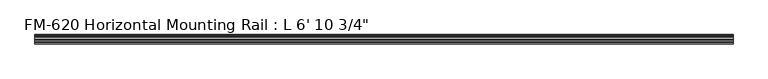
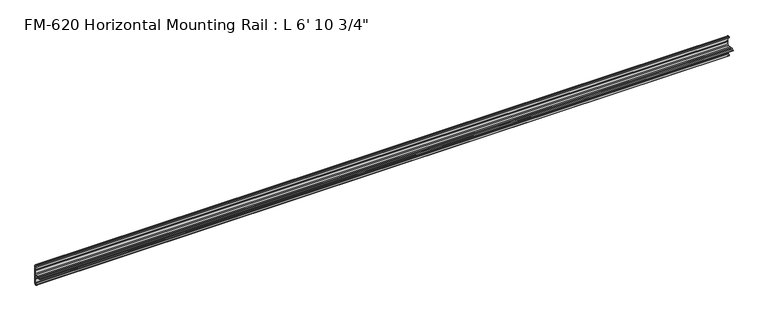
"""IFC4 building model written with IfcOpenShell, lengths in millimetres: proxy geometry."""

from ifc_helpers import new_model, si_unit, frame, origin, place, context, project, spatial, polyline, circle_curve, source, transform, mapped, element, save
from ifc_brep_helpers import plane_surface, cylinder_surface, revolved_surface, advanced_brep


def proxy_94d783d5(model_context):
    return source(origin(), model_context, "Body", "AdvancedBrep", [
        advanced_brep(
        [(2101.85, 13.6400687, 32.1158903), (2101.85, 11.9462301, 30.7938136), (2101.85, 13.6400687, 26.2967369), (2101.85, 15.4364113, 25.7360779), (2101.85, 16.1779173, 26.4138515), (2101.85, 16.9376166, 27.3612928), (2101.85, 17.4625, 26.8535734), (2101.85, 17.4625, 15.6659614), (2101.85, 17.9716639, 14.7485418), (2101.85, 17.9716639, 13.408381), (2101.85, 17.4681023, 12.4909614), (2101.85, 17.4681023, 3.5082566), (2101.85, 15.5546988, 1.5948531), (2101.85, 5.2023289, 1.5948531), (2101.85, 2.0525552, 1.5948531), (2101.85, -2.484295, 1.5948531), (2101.85, -5.633895, 1.5948531), (2101.85, -9.5043031, 1.5948531), (2101.85, -9.5043031, 0.0), (2101.85, -5.633895, 0.0), (2101.85, -2.484295, 0.0), (2101.85, 2.0526969, 0.0), (2101.85, 5.2022969, 0.0), (2101.85, 15.5575, -0.0227595), (2101.85, 17.4625, -1.9277595), (2101.85, 17.4625, -10.9034614), (2101.85, 17.9716639, -11.820881), (2101.85, 17.9716639, -13.1610418), (2101.85, 17.4625, -14.0784614), (2101.85, 17.4625, -25.2660734), (2101.85, 16.9376166, -25.7737928), (2101.85, 16.1779173, -24.8263515), (2101.85, 15.4364113, -24.1485779), (2101.85, 13.6400687, -24.7092369), (2101.85, 11.9462301, -29.2063136), (2101.85, 13.6400687, -30.5283903), (2101.85, 15.4750158, -31.1010982), (2101.85, 16.1549378, -30.6811835), (2101.85, 16.1549378, -29.1395734), (2101.85, 17.7424378, -27.5520734), (2101.85, 19.05, -27.5520734), (2101.85, 19.05, 0.0), (2101.85, 19.05, 29.1395734), (2101.85, 17.7424378, 29.1395734), (2101.85, 16.1549378, 30.7270734), (2101.85, 16.1549378, 32.2686835), (2101.85, 15.4750158, 32.6885982), (0.0, 13.6400687, 32.1158903), (0.0, 15.4750158, 32.6885982), (0.0, 16.1549378, 32.2686835), (0.0, 16.1549378, 30.7270734), (0.0, 17.7424378, 29.1395734), (0.0, 19.05, 29.1395734), (0.0, 19.05, 0.0), (0.0, 19.05, -27.5520734), (0.0, 17.7424378, -27.5520734), (0.0, 16.1549378, -29.1395734), (0.0, 16.1549378, -30.6811835), (0.0, 15.4750158, -31.1010982), (0.0, 13.6400687, -30.5283903), (0.0, 11.9462301, -29.2063136), (0.0, 13.6400687, -24.7092369), (0.0, 15.4364113, -24.1485779), (0.0, 16.1779173, -24.8263515), (0.0, 16.9376166, -25.7737928), (0.0, 17.4625, -25.2660734), (0.0, 17.4625, -14.0784614), (0.0, 17.9716639, -13.1610418), (0.0, 17.9716639, -11.820881), (0.0, 17.4625, -10.9034614), (0.0, 17.4625, -1.9277595), (0.0, 15.5575, -0.0227595), (0.0, 5.2021324, -0.0227595), (0.0, 2.0526969, 0.0), (0.0, -2.484295, 0.0), (0.0, -5.633895, 0.0), (0.0, -9.5043031, 0.0), (0.0, -9.5043031, 1.5948531), (0.0, -5.633895, 1.5948531), (0.0, -2.484295, 1.5948531), (0.0, 2.0525552, 1.5948531), (0.0, 5.2023289, 1.5948531), (0.0, 15.5546988, 1.5948531), (0.0, 17.4681023, 3.5082566), (0.0, 17.4681023, 12.4909614), (0.0, 17.9716639, 13.408381), (0.0, 17.9716639, 14.7485418), (0.0, 17.4625, 15.6659614), (0.0, 17.4625, 26.8535734), (0.0, 16.9376166, 27.3612928), (0.0, 16.1779173, 26.4138515), (0.0, 15.4364113, 25.7360779), (0.0, 13.6400687, 26.2967369), (0.0, 11.9462301, 30.7938136)],
        [
            (0, 1, circle_curve(frame((2101.85, 14.5481808, 29.2063136), z_axis=(1.0, 0.0, 0.0), x_axis=(0.0, -1.0, 0.0)), 3.048)),
            (1, 2, circle_curve(frame((2101.85, 14.5481808, 29.2063136), z_axis=(1.0, 0.0, 0.0), x_axis=(0.0, -1.0, 0.0)), 3.048)),
            (2, 3),
            (3, 4, circle_curve(frame((2101.85, 15.6245238, 26.2747792), z_axis=(1.0, 0.0, 0.0), x_axis=(0.0, -1.0, 0.0)), 0.5706009)),
            (4, 5, circle_curve(frame((2101.85, 16.9169378, 26.5995734), z_axis=(-1.0, 0.0, 0.0), x_axis=(0.0, -1.0, 0.0)), 0.762)),
            (5, 6, circle_curve(frame((2101.85, 16.9545, 26.8535734), z_axis=(-1.0, 0.0, 0.0), x_axis=(0.0, -1.0, 0.0)), 0.508)),
            (6, 7),
            (7, 8),
            (8, 9),
            (9, 10),
            (10, 11),
            (11, 12, circle_curve(frame((2101.85, 15.5546988, 3.5082566), z_axis=(-1.0, 0.0, 0.0), x_axis=(0.0, -1.0, 0.0)), 1.9134035)),
            (12, 13),
            (13, 14, circle_curve(frame((2101.85, 3.627442, 1.5948531), z_axis=(1.0, 0.0, 0.0), x_axis=(0.0, -1.0, 0.0)), 1.5748869)),
            (14, 15),
            (15, 16, circle_curve(frame((2101.85, -4.059095, 1.5948531), z_axis=(1.0, 0.0, 0.0), x_axis=(0.0, -1.0, 0.0)), 1.5748)),
            (16, 17),
            (17, 18),
            (18, 19),
            (19, 20, circle_curve(frame((2101.85, -4.059095, 0.0), z_axis=(1.0, 0.0, 0.0), x_axis=(0.0, -1.0, 0.0)), 1.5748)),
            (20, 21),
            (21, 22, circle_curve(frame((2101.85, 3.6274969, 0.0), z_axis=(1.0, 0.0, 0.0), x_axis=(0.0, -1.0, 0.0)), 1.5748)),
            (22, 23),
            (23, 24, circle_curve(frame((2101.85, 15.5575, -1.9277595), z_axis=(-1.0, 0.0, 0.0), x_axis=(0.0, -1.0, 0.0)), 1.905)),
            (24, 25),
            (25, 26),
            (26, 27),
            (27, 28),
            (28, 29),
            (29, 30, circle_curve(frame((2101.85, 16.9545, -25.2660734), z_axis=(-1.0, 0.0, 0.0), x_axis=(0.0, -1.0, 0.0)), 0.508)),
            (30, 31, circle_curve(frame((2101.85, 16.9169378, -25.0120734), z_axis=(-1.0, 0.0, 0.0), x_axis=(0.0, -1.0, 0.0)), 0.762)),
            (31, 32, circle_curve(frame((2101.85, 15.6245238, -24.6872792), z_axis=(1.0, 0.0, 0.0), x_axis=(0.0, -1.0, 0.0)), 0.5706009)),
            (32, 33),
            (33, 34, circle_curve(frame((2101.85, 14.5481808, -27.6188136), z_axis=(1.0, 0.0, 0.0), x_axis=(0.0, -1.0, 0.0)), 3.048)),
            (34, 35, circle_curve(frame((2101.85, 14.5481808, -27.6188136), z_axis=(1.0, 0.0, 0.0), x_axis=(0.0, -1.0, 0.0)), 3.048)),
            (35, 36),
            (36, 37, circle_curve(frame((2101.85, 15.6853088, -30.6811835), z_axis=(1.0, 0.0, 0.0), x_axis=(0.0, -1.0, 0.0)), 0.4696291)),
            (37, 38),
            (38, 39, circle_curve(frame((2101.85, 17.7424378, -29.1395734), z_axis=(-1.0, 0.0, 0.0), x_axis=(0.0, -1.0, 0.0)), 1.5875)),
            (39, 40),
            (40, 41),
            (41, 42),
            (42, 43),
            (43, 44, circle_curve(frame((2101.85, 17.7424378, 30.7270734), z_axis=(-1.0, 0.0, 0.0), x_axis=(0.0, -1.0, 0.0)), 1.5875)),
            (44, 45),
            (45, 46, circle_curve(frame((2101.85, 15.6853088, 32.2686835), z_axis=(1.0, 0.0, 0.0), x_axis=(0.0, -1.0, 0.0)), 0.4696291)),
            (46, 0),
            (47, 48),
            (48, 49, circle_curve(frame((0.0, 15.6853088, 32.2686835), z_axis=(-1.0, 0.0, 0.0), x_axis=(0.0, -1.0, 0.0)), 0.4696291)),
            (49, 50),
            (50, 51, circle_curve(frame((0.0, 17.7424378, 30.7270734), z_axis=(1.0, 0.0, 0.0), x_axis=(0.0, -1.0, 0.0)), 1.5875)),
            (51, 52),
            (52, 53),
            (53, 54),
            (54, 55),
            (55, 56, circle_curve(frame((0.0, 17.7424378, -29.1395734), z_axis=(1.0, 0.0, 0.0), x_axis=(0.0, -1.0, 0.0)), 1.5875)),
            (56, 57),
            (57, 58, circle_curve(frame((0.0, 15.6853088, -30.6811835), z_axis=(-1.0, 0.0, 0.0), x_axis=(0.0, -1.0, 0.0)), 0.4696291)),
            (58, 59),
            (59, 60, circle_curve(frame((0.0, 14.5481808, -27.6188136), z_axis=(-1.0, 0.0, 0.0), x_axis=(0.0, -1.0, 0.0)), 3.048)),
            (60, 61, circle_curve(frame((0.0, 14.5481808, -27.6188136), z_axis=(-1.0, 0.0, 0.0), x_axis=(0.0, -1.0, 0.0)), 3.048)),
            (61, 62),
            (62, 63, circle_curve(frame((0.0, 15.6245238, -24.6872792), z_axis=(-1.0, 0.0, 0.0), x_axis=(0.0, -1.0, 0.0)), 0.5706009)),
            (63, 64, circle_curve(frame((0.0, 16.9169378, -25.0120734), z_axis=(1.0, 0.0, 0.0), x_axis=(0.0, -1.0, 0.0)), 0.762)),
            (64, 65, circle_curve(frame((0.0, 16.9545, -25.2660734), z_axis=(1.0, 0.0, 0.0), x_axis=(0.0, -1.0, 0.0)), 0.508)),
            (65, 66),
            (66, 67),
            (67, 68),
            (68, 69),
            (69, 70),
            (70, 71, circle_curve(frame((0.0, 15.5575, -1.9277595), z_axis=(1.0, 0.0, 0.0), x_axis=(0.0, -1.0, 0.0)), 1.905)),
            (71, 72),
            (72, 73, circle_curve(frame((0.0, 3.6274969, 0.0), z_axis=(-1.0, 0.0, 0.0), x_axis=(0.0, -1.0, 0.0)), 1.5748)),
            (73, 74),
            (74, 75, circle_curve(frame((0.0, -4.059095, 0.0), z_axis=(-1.0, 0.0, 0.0), x_axis=(0.0, -1.0, 0.0)), 1.5748)),
            (75, 76),
            (76, 77),
            (77, 78),
            (78, 79, circle_curve(frame((0.0, -4.059095, 1.5948531), z_axis=(-1.0, 0.0, 0.0), x_axis=(0.0, -1.0, 0.0)), 1.5748)),
            (79, 80),
            (80, 81, circle_curve(frame((0.0, 3.627442, 1.5948531), z_axis=(-1.0, 0.0, 0.0), x_axis=(0.0, -1.0, 0.0)), 1.5748869)),
            (81, 82),
            (82, 83, circle_curve(frame((0.0, 15.5546988, 3.5082566), z_axis=(1.0, 0.0, 0.0), x_axis=(0.0, -1.0, 0.0)), 1.9134035)),
            (83, 84),
            (84, 85),
            (85, 86),
            (86, 87),
            (87, 88),
            (88, 89, circle_curve(frame((0.0, 16.9545, 26.8535734), z_axis=(1.0, 0.0, 0.0), x_axis=(0.0, -1.0, 0.0)), 0.508)),
            (89, 90, circle_curve(frame((0.0, 16.9169378, 26.5995734), z_axis=(1.0, 0.0, 0.0), x_axis=(0.0, -1.0, 0.0)), 0.762)),
            (90, 91, circle_curve(frame((0.0, 15.6245238, 26.2747792), z_axis=(-1.0, 0.0, 0.0), x_axis=(0.0, -1.0, 0.0)), 0.5706009)),
            (91, 92),
            (92, 93, circle_curve(frame((0.0, 14.5481808, 29.2063136), z_axis=(-1.0, 0.0, 0.0), x_axis=(0.0, -1.0, 0.0)), 3.048)),
            (93, 47, circle_curve(frame((0.0, 14.5481808, 29.2063136), z_axis=(-1.0, 0.0, 0.0), x_axis=(0.0, -1.0, 0.0)), 3.048)),
            (47, 0),
            (46, 48),
            (45, 49),
            (44, 50),
            (43, 51),
            (42, 52),
            (41, 53),
            (82, 12),
            (11, 83),
            (10, 84),
            (9, 85),
            (8, 86),
            (7, 87),
            (6, 88),
            (5, 89),
            (4, 90),
            (3, 91),
            (2, 92),
            (1, 93),
            (79, 15),
            (14, 80),
            (40, 54),
            (39, 55),
            (38, 56),
            (37, 57),
            (36, 58),
            (35, 59),
            (34, 60),
            (33, 61),
            (32, 62),
            (31, 63),
            (30, 64),
            (29, 65),
            (28, 66),
            (27, 67),
            (26, 68),
            (25, 69),
            (24, 70),
            (23, 71),
            (22, 72),
            (73, 21),
            (20, 74),
            (81, 13),
            (19, 75),
            (18, 76),
            (17, 77),
            (16, 78),
        ],
        [
            plane_surface(frame((2101.85, 13.6400687, 32.1158903), z_axis=(1.0000000000000002, 0.0, 0.0), x_axis=(0.0, -0.9545855229405112, -0.29793703930929905))),
            plane_surface(frame((0.0, 13.6400687, 32.1158903), z_axis=(-1.0000000000000002, 0.0, 0.0), x_axis=(0.0, 0.9545855229405112, 0.29793703930929905))),
            plane_surface(frame((0.0, 13.6400687, 32.1158903), z_axis=(0.0, -0.29793703930929905, 0.9545855229405112), x_axis=(1.0, 0.0, 0.0))),
            cylinder_surface(frame((2101.85, 15.6853088, 32.2686835), z_axis=(-1.0, 0.0, 0.0), x_axis=(0.0, -1.0, 0.0)), 0.4696291),
            plane_surface(frame((0.0, 16.1549378, 32.2686835), z_axis=(0.0, 1.0, 0.0), x_axis=(1.0, 0.0, 0.0))),
            revolved_surface(polyline([(2101.85, 16.154937800000003, 30.7270734), (0.0, 16.154937800000003, 30.7270734)]), (2101.85, 17.7424378, 30.7270734), (1.0, 0.0, 0.0)),
            plane_surface(frame((0.0, 17.7424378, 29.1395734), z_axis=(0.0, 0.0, 1.0), x_axis=(1.0, 0.0, 0.0))),
            plane_surface(frame((0.0, 19.05, 29.1395734), z_axis=(0.0, 1.0, 0.0), x_axis=(1.0, 0.0, 0.0))),
            revolved_surface(polyline([(2101.85, 13.641295300000001, 3.5082566), (0.0, 13.641295300000001, 3.5082566)]), (2101.85, 15.5546988, 3.5082566), (1.0, 0.0, 0.0)),
            plane_surface(frame((0.0, 17.4681023, 3.5082566), z_axis=(0.0, -1.0, 0.0), x_axis=(1.0, 0.0, 0.0))),
            plane_surface(frame((0.0, 17.4681023, 12.4909614), z_axis=(0.0, -0.8766268538755736, 0.48117082108562426), x_axis=(1.0, 0.0, 0.0))),
            plane_surface(frame((0.0, 17.9716639, 13.408381), z_axis=(0.0, -1.0, 0.0), x_axis=(1.0, 0.0, 0.0))),
            plane_surface(frame((0.0, 17.9716639, 14.7485418), z_axis=(0.0, -0.8743650453416105, -0.4852687579937157), x_axis=(1.0, 0.0, 0.0))),
            plane_surface(frame((0.0, 17.4625, 15.6659614), z_axis=(0.0, -1.0, 0.0), x_axis=(1.0, 0.0, 0.0))),
            revolved_surface(polyline([(2101.85, 16.4465, 26.8535734), (0.0, 16.4465, 26.8535734)]), (2101.85, 16.9545, 26.8535734), (1.0, 0.0, 0.0)),
            revolved_surface(polyline([(2101.85, 16.1549378, 26.5995734), (0.0, 16.1549378, 26.5995734)]), (2101.85, 16.9169378, 26.5995734), (1.0, 0.0, 0.0)),
            cylinder_surface(frame((2101.85, 15.6245238, 26.2747792), z_axis=(-1.0, 0.0, 0.0), x_axis=(0.0, -1.0, 0.0)), 0.5706009),
            plane_surface(frame((0.0, 15.4364113, 25.7360779), z_axis=(0.0, -0.2979370393101009, -0.9545855229402609), x_axis=(1.0, 0.0, 0.0))),
            cylinder_surface(frame((2101.85, 14.5481808, 29.2063136), z_axis=(-1.0, 0.0, 0.0), x_axis=(0.0, -1.0, 0.0)), 3.048),
            plane_surface(frame((0.0, -2.484295, 1.5948531), z_axis=(0.0, 0.0, 1.0), x_axis=(1.0, 0.0, 0.0))),
            plane_surface(frame((0.0, 19.05, 0.0), z_axis=(0.0, 1.0, 0.0), x_axis=(1.0, 0.0, 0.0))),
            plane_surface(frame((0.0, 19.05, -27.5520734), z_axis=(0.0, 0.0, -1.0), x_axis=(1.0, 0.0, 0.0))),
            revolved_surface(polyline([(2101.85, 16.154937800000003, -29.1395734), (0.0, 16.154937800000003, -29.1395734)]), (2101.85, 17.7424378, -29.1395734), (1.0, 0.0, 0.0)),
            plane_surface(frame((0.0, 16.1549378, -29.1395734), z_axis=(0.0, 1.0, 0.0), x_axis=(1.0, 0.0, 0.0))),
            cylinder_surface(frame((2101.85, 15.6853088, -30.6811835), z_axis=(-1.0, 0.0, 0.0), x_axis=(0.0, -1.0, 0.0)), 0.4696291),
            plane_surface(frame((0.0, 15.4750158, -31.1010982), z_axis=(0.0, -0.2979370393090683, -0.9545855229405833), x_axis=(1.0, 0.0, 0.0))),
            cylinder_surface(frame((2101.85, 14.5481808, -27.6188136), z_axis=(-1.0, 0.0, 0.0), x_axis=(0.0, -1.0, 0.0)), 3.048),
            plane_surface(frame((0.0, 13.6400687, -24.7092369), z_axis=(0.0, -0.2979370393424987, 0.9545855229301492), x_axis=(1.0, 0.0, 0.0))),
            cylinder_surface(frame((2101.85, 15.6245238, -24.6872792), z_axis=(-1.0, 0.0, 0.0), x_axis=(0.0, -1.0, 0.0)), 0.5706009),
            revolved_surface(polyline([(2101.85, 16.1549378, -25.0120734), (0.0, 16.1549378, -25.0120734)]), (2101.85, 16.9169378, -25.0120734), (1.0, 0.0, 0.0)),
            revolved_surface(polyline([(2101.85, 16.4465, -25.2660734), (0.0, 16.4465, -25.2660734)]), (2101.85, 16.9545, -25.2660734), (1.0, 0.0, 0.0)),
            plane_surface(frame((0.0, 17.4625, -25.2660734), z_axis=(0.0, -1.0, 0.0), x_axis=(1.0, 0.0, 0.0))),
            plane_surface(frame((0.0, 17.4625, -14.0784614), z_axis=(0.0, -0.8743650443696134, 0.48526875974507594), x_axis=(1.0, 0.0, 0.0))),
            plane_surface(frame((0.0, 17.9716639, -13.1610418), z_axis=(0.0, -1.0, 0.0), x_axis=(1.0, 0.0, 0.0))),
            plane_surface(frame((0.0, 17.9716639, -11.820881), z_axis=(0.0, -0.8743650440122003, -0.48526876038906863), x_axis=(1.0, 0.0, 0.0))),
            plane_surface(frame((0.0, 17.4625, -10.9034614), z_axis=(0.0, -1.0, 0.0), x_axis=(1.0, 0.0, 0.0))),
            revolved_surface(polyline([(2101.85, 13.6525, -1.9277595), (0.0, 13.6525, -1.9277595)]), (2101.85, 15.5575, -1.9277595), (1.0, 0.0, 0.0)),
            plane_surface(frame((0.0, 15.5575, -0.0227595), z_axis=(0.0, 0.0, -1.0), x_axis=(1.0, 0.0, 0.0))),
            plane_surface(frame((0.0, 2.0526969, 0.0), z_axis=(0.0, 0.0, -1.0), x_axis=(1.0, 0.0, 0.0))),
            plane_surface(frame((0.0, 5.2023289, 1.5948531), z_axis=(0.0, 0.0, 1.0), x_axis=(1.0, 0.0, 0.0))),
            cylinder_surface(frame((2101.85, 3.6274969, 0.0), z_axis=(-1.0, 0.0, 0.0), x_axis=(0.0, -1.0, 0.0)), 1.5748),
            cylinder_surface(frame((2101.85, -4.059095, 0.0), z_axis=(-1.0, 0.0, 0.0), x_axis=(0.0, -1.0, 0.0)), 1.5748),
            plane_surface(frame((0.0, -5.633895, 0.0), z_axis=(0.0, 0.0, -1.0), x_axis=(1.0, 0.0, 0.0))),
            plane_surface(frame((0.0, -9.5043031, 0.0), z_axis=(0.0, -1.0, 0.0), x_axis=(1.0, 0.0, 0.0))),
            plane_surface(frame((0.0, -9.5043031, 1.5948531), z_axis=(0.0, 0.0, 1.0), x_axis=(1.0, 0.0, 0.0))),
            cylinder_surface(frame((2101.85, -4.059095, 1.5948531), z_axis=(-1.0, 0.0, 0.0), x_axis=(0.0, -1.0, 0.0)), 1.5748),
            cylinder_surface(frame((2101.85, 3.627442, 1.5948531), z_axis=(-1.0, 0.0, 0.0), x_axis=(0.0, -1.0, 0.0)), 1.5748869),
        ],
        [
            (0, [[1, 2, 3, 4, 5, 6, 7, 8, 9, 10, 11, 12, 13, 14, 15, 16, 17, 18, 19, 20, 21, 22, 23, 24, 25, 26, 27, 28, 29, 30, 31, 32, 33, 34, 35, 36, 37, 38, 39, 40, 41, 42, 43, 44, 45, 46, 47]]),
            (1, [[48, 49, 50, 51, 52, 53, 54, 55, 56, 57, 58, 59, 60, 61, 62, 63, 64, 65, 66, 67, 68, 69, 70, 71, 72, 73, 74, 75, 76, 77, 78, 79, 80, 81, 82, 83, 84, 85, 86, 87, 88, 89, 90, 91, 92, 93, 94]]),
            (2, [[-48, 95, -47, 96]]),
            (3, [[-49, -96, -46, 97]]),
            (4, [[-50, -97, -45, 98]]),
            (5, [[-51, -98, -44, 99]]),
            (6, [[-52, -99, -43, 100]]),
            (7, [[-53, -100, -42, 101]]),
            (8, [[-83, 102, -12, 103]]),
            (9, [[-84, -103, -11, 104]]),
            (10, [[-85, -104, -10, 105]]),
            (11, [[-86, -105, -9, 106]]),
            (12, [[-87, -106, -8, 107]]),
            (13, [[-88, -107, -7, 108]]),
            (14, [[-89, -108, -6, 109]]),
            (15, [[-90, -109, -5, 110]]),
            (16, [[-91, -110, -4, 111]]),
            (17, [[-92, -111, -3, 112]]),
            (18, [[-93, -112, -2, 113]]),
            (18, [[-94, -113, -1, -95]]),
            (19, [[-80, 114, -15, 115]]),
            (20, [[-54, -101, -41, 116]]),
            (21, [[-55, -116, -40, 117]]),
            (22, [[-56, -117, -39, 118]]),
            (23, [[-57, -118, -38, 119]]),
            (24, [[-58, -119, -37, 120]]),
            (25, [[-59, -120, -36, 121]]),
            (26, [[-60, -121, -35, 122]]),
            (26, [[-61, -122, -34, 123]]),
            (27, [[-62, -123, -33, 124]]),
            (28, [[-63, -124, -32, 125]]),
            (29, [[-64, -125, -31, 126]]),
            (30, [[-65, -126, -30, 127]]),
            (31, [[-66, -127, -29, 128]]),
            (32, [[-67, -128, -28, 129]]),
            (33, [[-68, -129, -27, 130]]),
            (34, [[-69, -130, -26, 131]]),
            (35, [[-70, -131, -25, 132]]),
            (36, [[-71, -132, -24, 133]]),
            (37, [[-72, -133, -23, 134]]),
            (38, [[-74, 135, -21, 136]]),
            (39, [[-82, 137, -13, -102]]),
            (40, [[-73, -134, -22, -135]]),
            (41, [[-75, -136, -20, 138]]),
            (42, [[-76, -138, -19, 139]]),
            (43, [[-77, -139, -18, 140]]),
            (44, [[-78, -140, -17, 141]]),
            (45, [[-79, -141, -16, -114]]),
            (46, [[-81, -115, -14, -137]]),
        ],
    ),
    ])


if __name__ == "__main__":
    model = new_model("IFC4")
    model_context = context("Model", 3, world=origin())
    ifc_project = project(units=[si_unit("LENGTHUNIT", "METRE", prefix="MILLI")], contexts=[model_context])
    site = spatial("IfcSite", under=ifc_project)
    building = spatial("IfcBuilding", under=site)
    placement = place(None, origin())
    proxy_shape = proxy_94d783d5(model_context)
    element("IfcBuildingElementProxy", 1, Name="FM-620 Horizontal Mounting Rail : L 6' 10 3/4\"", ObjectType="FM-620 Horizontal Mounting Rail : L 6' 10 3/4\"", at=placement, inside=building, context=model_context, shape_type="MappedRepresentation", body=[
        mapped(proxy_shape, transform((0.0, 0.0, 0.0), x_axis=(1.0, 0.0, 0.0), y_axis=(0.0, 1.0, 0.0), z_axis=(0.0, 0.0, 1.0))),
    ])
    save(model, "model.ifc")
